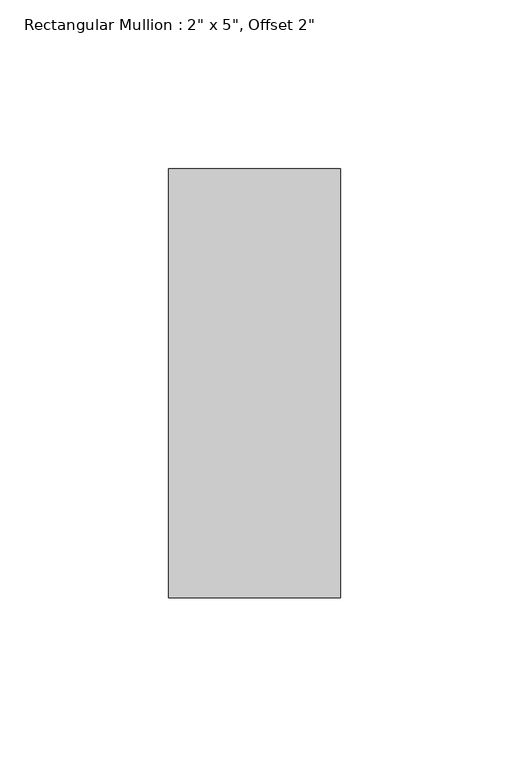
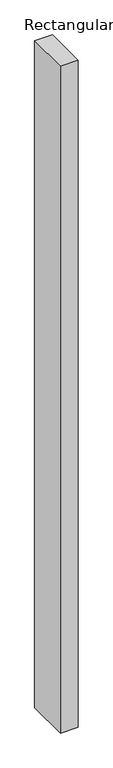
"""IFC4 building model written with IfcOpenShell, lengths in millimetres: member geometry."""

from ifc_helpers import new_model, si_unit, frame, origin, place, context, project, spatial, polyline, outline, extrude, source, transform, mapped, element, save


def member_42ea8c78(model_context):
    return source(origin(), model_context, "Body", "SweptSolid", [
        extrude(outline(polyline([(0.0, 12.7), (0.0, -114.3), (-50.8, -114.3), (-50.8, 12.7), (0.0, 12.7)])), frame((0.0, 0.0, -2008.2247303), z_axis=(0.0, 0.0, 1.0), x_axis=(1.0, 0.0, 0.0)), (0.0, 0.0, 1.0), 2008.2247303),
    ])


if __name__ == "__main__":
    model = new_model("IFC4")
    model_context = context("Model", 3, world=origin())
    ifc_project = project(units=[si_unit("LENGTHUNIT", "METRE", prefix="MILLI")], contexts=[model_context])
    site = spatial("IfcSite", under=ifc_project)
    building = spatial("IfcBuilding", under=site)
    placement = place(None, origin())
    member_shape = member_42ea8c78(model_context)
    element("IfcMember", 1, ObjectType="Rectangular Mullion : 2\" x 5\", Offset 2\"", at=placement, inside=building, context=model_context, shape_type="MappedRepresentation", body=[
        mapped(member_shape, transform((0.0, 0.0, 0.0), x_axis=(1.0, 0.0, 0.0), y_axis=(0.0, 1.0, 0.0), z_axis=(0.0, 0.0, 1.0))),
    ])
    save(model, "model.ifc")
